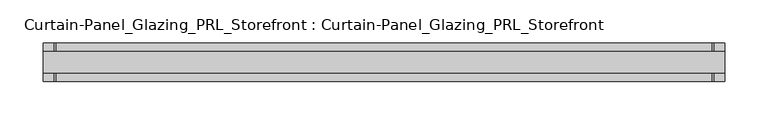
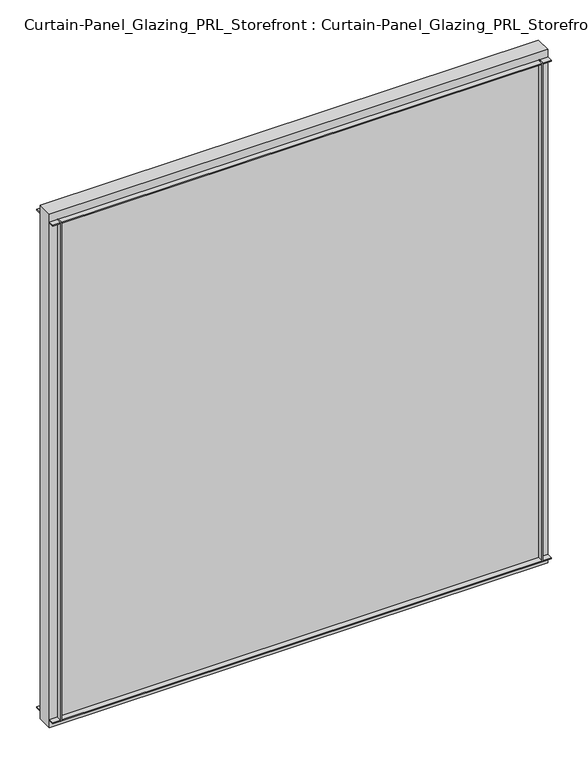
"""IFC4 building model written with IfcOpenShell, lengths in millimetres: plate geometry, Curtain-Panel_Glazing_PRL_Storefront : Curtain-Panel_Glazing_PRL_Storefront."""

from ifc_helpers import new_model, si_unit, frame, origin, origin_with_axes, place, context, project, spatial, polyline, outline, extrude, source, transform, mapped, element, save


def curtain_panel_glazing_prl_storefront_curtain_panel_glazing_dd6d2799(model_context):
    return source(origin(), model_context, "Body", "SweptSolid", [
        extrude(outline(polyline([(381.0, 22.225), (381.0, 12.7), (379.4125, 12.7), (379.4125, 22.225), (381.0, 22.225)])), frame((0.0, 0.0, 12.7), z_axis=(0.0, 0.0, 1.0), x_axis=(1.0, 0.0, 0.0)), (0.0, 0.0, 1.0), 831.85),
        extrude(outline(polyline([(381.0, -22.225), (379.4125, -22.225), (379.4125, -12.7), (381.0, -12.7), (381.0, -22.225)])), frame((0.0, 0.0, 12.7), z_axis=(0.0, 0.0, 1.0), x_axis=(1.0, 0.0, 0.0)), (0.0, 0.0, 1.0), 831.85),
        extrude(outline(polyline([(-381.0, 22.225), (-379.4125, 22.225), (-379.4125, 12.7), (-381.0, 12.7), (-381.0, 22.225)])), frame((0.0, 0.0, 12.7), z_axis=(0.0, 0.0, 1.0), x_axis=(1.0, 0.0, 0.0)), (0.0, 0.0, 1.0), 831.85),
        extrude(outline(polyline([(-381.0, -22.225), (-381.0, -12.7), (-379.4125, -12.7), (-379.4125, -22.225), (-381.0, -22.225)])), frame((0.0, 0.0, 12.7), z_axis=(0.0, 0.0, 1.0), x_axis=(1.0, 0.0, 0.0)), (0.0, 0.0, 1.0), 831.85),
        extrude(outline(polyline([(393.7, -12.7), (-393.7, -12.7), (-393.7, 12.7), (393.7, 12.7), (393.7, -12.7)])), origin_with_axes(), (0.0, 0.0, 1.0), 857.25),
        extrude(outline(polyline([(-393.7, 22.225), (393.7, 22.225), (393.7, 12.7), (-393.7, 12.7), (-393.7, 22.225)])), frame((0.0, 0.0, 842.9625), z_axis=(0.0, 0.0, 1.0), x_axis=(1.0, 0.0, 0.0)), (0.0, 0.0, 1.0), 1.5875),
        extrude(outline(polyline([(-393.7, -22.225), (-393.7, -12.7), (393.7, -12.7), (393.7, -22.225), (-393.7, -22.225)])), frame((0.0, 0.0, 842.9625), z_axis=(0.0, 0.0, 1.0), x_axis=(1.0, 0.0, 0.0)), (0.0, 0.0, 1.0), 1.5875),
        extrude(outline(polyline([(-393.7, 22.225), (393.7, 22.225), (393.7, 12.7), (-393.7, 12.7), (-393.7, 22.225)])), frame((0.0, 0.0, 12.7), z_axis=(0.0, 0.0, 1.0), x_axis=(1.0, 0.0, 0.0)), (0.0, 0.0, 1.0), 1.5875),
        extrude(outline(polyline([(-393.7, -22.225), (-393.7, -12.7), (393.7, -12.7), (393.7, -22.225), (-393.7, -22.225)])), frame((0.0, 0.0, 12.7), z_axis=(0.0, 0.0, 1.0), x_axis=(1.0, 0.0, 0.0)), (0.0, 0.0, 1.0), 1.5875),
    ])


if __name__ == "__main__":
    model = new_model("IFC4")
    model_context = context("Model", 3, world=origin())
    ifc_project = project(units=[si_unit("LENGTHUNIT", "METRE", prefix="MILLI")], contexts=[model_context])
    site = spatial("IfcSite", under=ifc_project)
    building = spatial("IfcBuilding", under=site)
    placement = place(None, origin())
    curtain_panel_glazing_prl_storefront_curtain_panel_glazing_shape = curtain_panel_glazing_prl_storefront_curtain_panel_glazing_dd6d2799(model_context)
    element("IfcPlate", 1, ObjectType="Curtain-Panel_Glazing_PRL_Storefront : Curtain-Panel_Glazing_PRL_Storefront", at=placement, inside=building, context=model_context, shape_type="MappedRepresentation", body=[
        mapped(curtain_panel_glazing_prl_storefront_curtain_panel_glazing_shape, transform((0.0, 0.0, 0.0), x_axis=(1.0, 0.0, 0.0), y_axis=(0.0, 1.0, 0.0), z_axis=(0.0, 0.0, 1.0))),
    ])
    save(model, "model.ifc")
